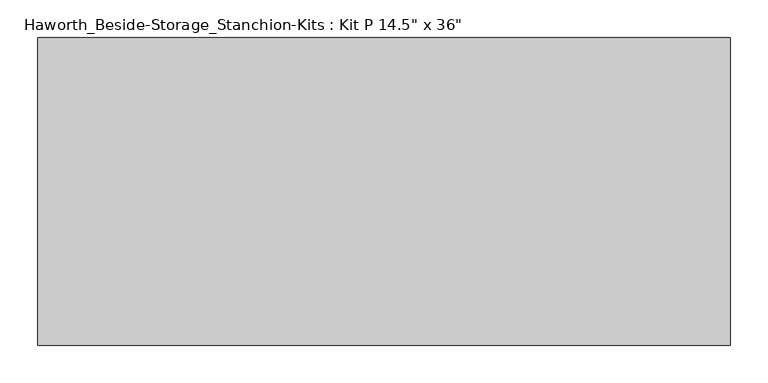
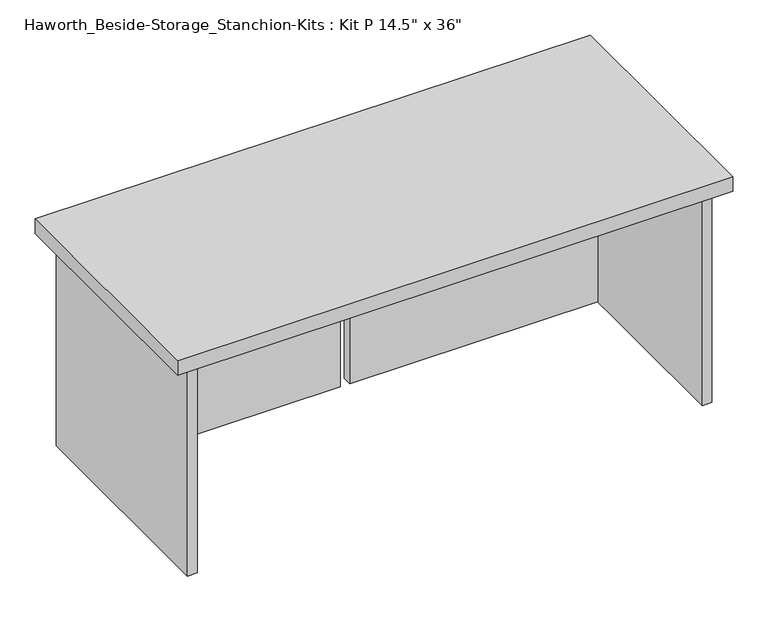
"""IFC4 building model written with IfcOpenShell, lengths in millimetres: furniture geometry."""

from ifc_helpers import new_model, si_unit, frame, origin, place, context, project, spatial, polyline, outline, extrude, source, transform, mapped, element, save


def furniture_f16531cf(model_context):
    return source(origin(), model_context, "Body", "SweptSolid", [
        extrude(outline(polyline([(619.125, 0.0), (619.125, -406.4), (-295.275, -406.4), (-295.275, 0.0), (619.125, 0.0)])), frame((0.0, 0.0, 1104.9), z_axis=(0.0, 0.0, 1.0), x_axis=(1.0, 0.0, 0.0)), (0.0, 0.0, 1.0), 25.4),
        extrude(outline(polyline([(169.8625, -76.2), (577.85, -76.2), (577.85, -92.075), (169.8625, -92.075), (169.8625, -76.2)])), frame((0.0, 0.0, 736.6), z_axis=(0.0, 0.0, 1.0), x_axis=(1.0, 0.0, 0.0)), (0.0, 0.0, 1.0), 368.3),
        extrude(outline(polyline([(153.9875, -76.2), (153.9875, -92.075), (-254.0, -92.075), (-254.0, -76.2), (153.9875, -76.2)])), frame((0.0, 0.0, 736.6), z_axis=(0.0, 0.0, 1.0), x_axis=(1.0, 0.0, 0.0)), (0.0, 0.0, 1.0), 368.3),
        extrude(outline(polyline([(593.725, -390.525), (577.85, -390.525), (577.85, -15.875), (593.725, -15.875), (593.725, -390.525)])), frame((0.0, 0.0, 736.6), z_axis=(0.0, 0.0, 1.0), x_axis=(1.0, 0.0, 0.0)), (0.0, 0.0, 1.0), 368.3),
        extrude(outline(polyline([(-254.0, -390.525), (-269.875, -390.525), (-269.875, -15.875), (-254.0, -15.875), (-254.0, -390.525)])), frame((0.0, 0.0, 736.6), z_axis=(0.0, 0.0, 1.0), x_axis=(1.0, 0.0, 0.0)), (0.0, 0.0, 1.0), 368.3),
    ])


if __name__ == "__main__":
    model = new_model("IFC4")
    model_context = context("Model", 3, world=origin())
    ifc_project = project(units=[si_unit("LENGTHUNIT", "METRE", prefix="MILLI")], contexts=[model_context])
    site = spatial("IfcSite", under=ifc_project)
    building = spatial("IfcBuilding", under=site)
    placement = place(None, origin())
    furniture_shape = furniture_f16531cf(model_context)
    element("IfcFurniture", 1, ObjectType="Haworth_Beside-Storage_Stanchion-Kits : Kit P 14.5\" x 36\"", at=placement, inside=building, context=model_context, shape_type="MappedRepresentation", body=[
        mapped(furniture_shape, transform((0.0, 0.0, 0.0), x_axis=(1.0, 0.0, 0.0), y_axis=(0.0, 1.0, 0.0), z_axis=(0.0, 0.0, 1.0))),
    ])
    save(model, "model.ifc")
